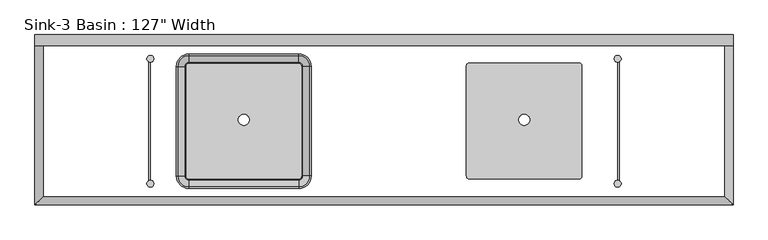
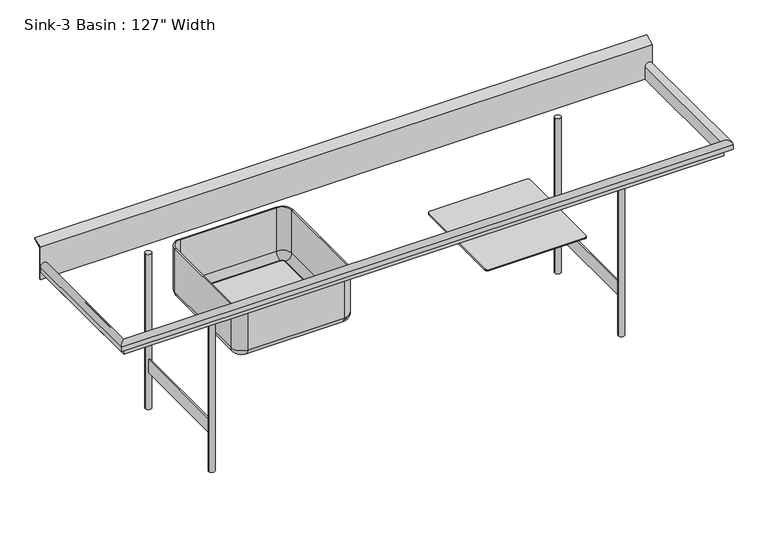
"""IFC4 building model written with IfcOpenShell, lengths in millimetres: flow terminal geometry."""

from ifc_helpers import new_model, si_unit, point, frame, frame_2d, origin, origin_with_axes, place, context, project, spatial, polyline, circle_curve, ellipse_curve, trimmed, segment, composite_curve, outline, extrude, source, transform, mapped, element, save
from ifc_brep_helpers import plane_surface, cylinder_surface, revolved_surface, advanced_brep


def flow_terminal_12af9cb3(model_context):
    return source(origin(), model_context, "Body", "SolidModel", [
        extrude(outline(composite_curve([segment(trimmed(circle_curve(frame_2d((-1032.0607594, 180.1454011)), 12.7), [point((-1044.7607594, 180.1454011))], [point((-1032.0607594, 192.8454011))], False, "CARTESIAN"), True, "CONTINUOUS"), segment(polyline([(-1032.0607594, 192.8454011), (-524.0607594, 192.8454011)]), True, "CONTINUOUS"), segment(trimmed(circle_curve(frame_2d((-524.0607594, 180.1454011)), 12.7), [point((-524.0607594, 192.8454011))], [point((-511.3607594, 180.1454011))], False, "CARTESIAN"), True, "CONTINUOUS"), segment(polyline([(-511.3607594, 180.1454011), (-511.3607594, -327.8545989)]), True, "CONTINUOUS"), segment(trimmed(circle_curve(frame_2d((-524.0607594, -327.8545989)), 12.7), [point((-511.3607594, -327.8545989))], [point((-524.0607594, -340.5545989))], False, "CARTESIAN"), True, "CONTINUOUS"), segment(polyline([(-524.0607594, -340.5545989), (-1032.0607594, -340.5545989)]), True, "CONTINUOUS"), segment(trimmed(circle_curve(frame_2d((-1032.0607594, -327.8545989)), 12.7), [point((-1032.0607594, -340.5545989))], [point((-1044.7607594, -327.8545989))], False, "CARTESIAN"), True, "CONTINUOUS"), segment(polyline([(-1044.7607594, -327.8545989), (-1044.7607594, 180.1454011)]), True, "CONTINUOUS")], self_intersect=False), holes=[composite_curve([segment(trimmed(circle_curve(frame_2d((-778.0607594, -67.5045989)), 25.4), [point((-803.4607594, -67.5045989))], [point((-752.6607594, -67.5045989))], True, "CARTESIAN"), True, "CONTINUOUS"), segment(trimmed(circle_curve(frame_2d((-778.0607594, -67.5045989)), 25.4), [point((-752.6607594, -67.5045989))], [point((-803.4607594, -67.5045989))], True, "CARTESIAN"), True, "CONTINUOUS")], self_intersect=False)]), frame((0.0, 0.0, 584.2), z_axis=(0.0, 0.0, 1.0), x_axis=(1.0, 0.0, 0.0)), (0.0, 0.0, 1.0), 6.35),
        advanced_brep(
        [(-1051.1107594, 180.1454011, 590.55), (-1032.0607594, 199.1954011, 590.55), (-1032.0607594, 230.9454011, 622.3), (-1082.8607594, 180.1454011, 622.3), (-1044.7607594, 180.1454011, 590.55), (-1032.0607594, 192.8454011, 590.55), (-1044.7607594, 180.1454011, 584.2), (-1032.0607594, 192.8454011, 584.2), (-1051.1107594, 180.1454011, 584.2), (-1032.0607594, 199.1954011, 584.2), (-1089.2107594, 180.1454011, 622.3), (-1032.0607594, 237.2954011, 622.3), (-1089.2107594, 180.1454011, 863.6), (-1032.0607594, 237.2954011, 863.6), (-1082.8607594, 180.1454011, 863.6), (-1032.0607594, 230.9454011, 863.6), (-1082.8607594, -327.8545989, 622.3), (-1051.1107594, -327.8545989, 590.55), (-1044.7607594, -327.8545989, 590.55), (-1044.7607594, -327.8545989, 584.2), (-1051.1107594, -327.8545989, 584.2), (-1089.2107594, -327.8545989, 622.3), (-1089.2107594, -327.8545989, 863.6), (-1082.8607594, -327.8545989, 863.6), (-1032.0607594, -346.9045989, 590.55), (-1032.0607594, -378.6545989, 622.3), (-1032.0607594, -340.5545989, 590.55), (-1032.0607594, -340.5545989, 584.2), (-1032.0607594, -346.9045989, 584.2), (-1032.0607594, -385.0045989, 622.3), (-1032.0607594, -385.0045989, 863.6), (-1032.0607594, -378.6545989, 863.6), (-524.0607594, -378.6545989, 622.3), (-524.0607594, -346.9045989, 590.55), (-524.0607594, -340.5545989, 590.55), (-524.0607594, -340.5545989, 584.2), (-524.0607594, -346.9045989, 584.2), (-524.0607594, -385.0045989, 622.3), (-524.0607594, -385.0045989, 863.6), (-524.0607594, -378.6545989, 863.6), (-505.0107594, -327.8545989, 590.55), (-473.2607594, -327.8545989, 622.3), (-511.3607594, -327.8545989, 590.55), (-511.3607594, -327.8545989, 584.2), (-505.0107594, -327.8545989, 584.2), (-466.9107594, -327.8545989, 622.3), (-466.9107594, -327.8545989, 863.6), (-473.2607594, -327.8545989, 863.6), (-473.2607594, 180.1454011, 622.3), (-505.0107594, 180.1454011, 590.55), (-511.3607594, 180.1454011, 590.55), (-511.3607594, 180.1454011, 584.2), (-505.0107594, 180.1454011, 584.2), (-466.9107594, 180.1454011, 622.3), (-466.9107594, 180.1454011, 863.6), (-473.2607594, 180.1454011, 863.6), (-524.0607594, 199.1954011, 590.55), (-524.0607594, 230.9454011, 622.3), (-524.0607594, 192.8454011, 590.55), (-524.0607594, 192.8454011, 584.2), (-524.0607594, 199.1954011, 584.2), (-524.0607594, 237.2954011, 622.3), (-524.0607594, 237.2954011, 863.6), (-524.0607594, 230.9454011, 863.6)],
        [
            (0, 1, circle_curve(frame((-1032.0607594, 180.1454011, 590.55), z_axis=(0.0, 0.0, -1.0), x_axis=(0.0, 1.0, 0.0)), 19.05)),
            (1, 2, circle_curve(frame((-1032.0607594, 199.1954011, 622.3), z_axis=(1.0, 0.0, 0.0), x_axis=(0.0, -1.0, 0.0)), 31.75)),
            (2, 3, circle_curve(frame((-1032.0607594, 180.1454011, 622.3), z_axis=(0.0, 0.0, 1.0), x_axis=(0.0, 1.0, 0.0)), 50.8)),
            (3, 0, circle_curve(frame((-1051.1107594, 180.1454011, 622.3), z_axis=(0.0, -1.0, 0.0), x_axis=(1.0, 0.0, 0.0)), 31.75)),
            (4, 5, circle_curve(frame((-1032.0607594, 180.1454011, 590.55), z_axis=(0.0, 0.0, -1.0), x_axis=(0.0, 1.0, 0.0)), 12.7)),
            (5, 1),
            (0, 4),
            (6, 7, circle_curve(frame((-1032.0607594, 180.1454011, 584.2), z_axis=(0.0, 0.0, -1.0), x_axis=(0.0, 1.0, 0.0)), 12.7)),
            (7, 5),
            (4, 6),
            (8, 9, circle_curve(frame((-1032.0607594, 180.1454011, 584.2), z_axis=(0.0, 0.0, -1.0), x_axis=(0.0, 1.0, 0.0)), 19.05)),
            (9, 7),
            (6, 8),
            (10, 11, circle_curve(frame((-1032.0607594, 180.1454011, 622.3), z_axis=(0.0, 0.0, -1.0), x_axis=(0.0, 1.0, 0.0)), 57.15)),
            (11, 9, circle_curve(frame((-1032.0607594, 199.1954011, 622.3), z_axis=(-1.0, 0.0, 0.0), x_axis=(0.0, -1.0, 0.0)), 38.1)),
            (8, 10, circle_curve(frame((-1051.1107594, 180.1454011, 622.3), z_axis=(0.0, 1.0, 0.0), x_axis=(1.0, 0.0, 0.0)), 38.1)),
            (12, 13, circle_curve(frame((-1032.0607594, 180.1454011, 863.6), z_axis=(0.0, 0.0, -1.0), x_axis=(0.0, 1.0, 0.0)), 57.15)),
            (13, 11),
            (10, 12),
            (14, 15, circle_curve(frame((-1032.0607594, 180.1454011, 863.6), z_axis=(0.0, 0.0, -1.0), x_axis=(0.0, 1.0, 0.0)), 50.8)),
            (15, 13),
            (12, 14),
            (2, 15),
            (14, 3),
            (3, 16),
            (16, 17, circle_curve(frame((-1051.1107594, -327.8545989, 622.3), z_axis=(0.0, -1.0, 0.0), x_axis=(1.0, 0.0, 0.0)), 31.75)),
            (17, 0),
            (17, 18),
            (18, 4),
            (18, 19),
            (19, 6),
            (19, 20),
            (20, 8),
            (20, 21, circle_curve(frame((-1051.1107594, -327.8545989, 622.3), z_axis=(0.0, 1.0, 0.0), x_axis=(1.0, 0.0, 0.0)), 38.1)),
            (21, 10),
            (21, 22),
            (22, 12),
            (22, 23),
            (23, 14),
            (23, 16),
            (24, 17, circle_curve(frame((-1032.0607594, -327.8545989, 590.55), z_axis=(0.0, 0.0, -1.0), x_axis=(-1.0, 0.0, 0.0)), 19.05)),
            (16, 25, circle_curve(frame((-1032.0607594, -327.8545989, 622.3), z_axis=(0.0, 0.0, 1.0), x_axis=(-1.0, 0.0, 0.0)), 50.8)),
            (25, 24, circle_curve(frame((-1032.0607594, -346.9045989, 622.3), z_axis=(1.0, 0.0, 0.0), x_axis=(0.0, 1.0, 0.0)), 31.75)),
            (26, 18, circle_curve(frame((-1032.0607594, -327.8545989, 590.55), z_axis=(0.0, 0.0, -1.0), x_axis=(-1.0, 0.0, 0.0)), 12.7)),
            (24, 26),
            (27, 19, circle_curve(frame((-1032.0607594, -327.8545989, 584.2), z_axis=(0.0, 0.0, -1.0), x_axis=(-1.0, 0.0, 0.0)), 12.7)),
            (26, 27),
            (28, 20, circle_curve(frame((-1032.0607594, -327.8545989, 584.2), z_axis=(0.0, 0.0, -1.0), x_axis=(-1.0, 0.0, 0.0)), 19.05)),
            (27, 28),
            (29, 21, circle_curve(frame((-1032.0607594, -327.8545989, 622.3), z_axis=(0.0, 0.0, -1.0), x_axis=(-1.0, 0.0, 0.0)), 57.15)),
            (28, 29, circle_curve(frame((-1032.0607594, -346.9045989, 622.3), z_axis=(-1.0, 0.0, 0.0), x_axis=(0.0, 1.0, 0.0)), 38.1)),
            (30, 22, circle_curve(frame((-1032.0607594, -327.8545989, 863.6), z_axis=(0.0, 0.0, -1.0), x_axis=(-1.0, 0.0, 0.0)), 57.15)),
            (29, 30),
            (31, 23, circle_curve(frame((-1032.0607594, -327.8545989, 863.6), z_axis=(0.0, 0.0, -1.0), x_axis=(-1.0, 0.0, 0.0)), 50.8)),
            (30, 31),
            (31, 25),
            (25, 32),
            (32, 33, circle_curve(frame((-524.0607594, -346.9045989, 622.3), z_axis=(1.0, 0.0, 0.0), x_axis=(0.0, 1.0, 0.0)), 31.75)),
            (33, 24),
            (33, 34),
            (34, 26),
            (34, 35),
            (35, 27),
            (35, 36),
            (36, 28),
            (36, 37, circle_curve(frame((-524.0607594, -346.9045989, 622.3), z_axis=(-1.0, 0.0, 0.0), x_axis=(0.0, 1.0, 0.0)), 38.1)),
            (37, 29),
            (37, 38),
            (38, 30),
            (38, 39),
            (39, 31),
            (39, 32),
            (40, 33, circle_curve(frame((-524.0607594, -327.8545989, 590.55), z_axis=(0.0, 0.0, -1.0), x_axis=(0.0, -1.0, 0.0)), 19.05)),
            (32, 41, circle_curve(frame((-524.0607594, -327.8545989, 622.3), z_axis=(0.0, 0.0, 1.0), x_axis=(0.0, -1.0, 0.0)), 50.8)),
            (41, 40, circle_curve(frame((-505.0107594, -327.8545989, 622.3), z_axis=(0.0, 1.0, 0.0), x_axis=(-1.0, 0.0, 0.0)), 31.75)),
            (42, 34, circle_curve(frame((-524.0607594, -327.8545989, 590.55), z_axis=(0.0, 0.0, -1.0), x_axis=(0.0, -1.0, 0.0)), 12.7)),
            (40, 42),
            (43, 35, circle_curve(frame((-524.0607594, -327.8545989, 584.2), z_axis=(0.0, 0.0, -1.0), x_axis=(0.0, -1.0, 0.0)), 12.7)),
            (42, 43),
            (44, 36, circle_curve(frame((-524.0607594, -327.8545989, 584.2), z_axis=(0.0, 0.0, -1.0), x_axis=(0.0, -1.0, 0.0)), 19.05)),
            (43, 44),
            (45, 37, circle_curve(frame((-524.0607594, -327.8545989, 622.3), z_axis=(0.0, 0.0, -1.0), x_axis=(0.0, -1.0, 0.0)), 57.15)),
            (44, 45, circle_curve(frame((-505.0107594, -327.8545989, 622.3), z_axis=(0.0, -1.0, 0.0), x_axis=(-1.0, 0.0, 0.0)), 38.1)),
            (46, 38, circle_curve(frame((-524.0607594, -327.8545989, 863.6), z_axis=(0.0, 0.0, -1.0), x_axis=(0.0, -1.0, 0.0)), 57.15)),
            (45, 46),
            (47, 39, circle_curve(frame((-524.0607594, -327.8545989, 863.6), z_axis=(0.0, 0.0, -1.0), x_axis=(0.0, -1.0, 0.0)), 50.8)),
            (46, 47),
            (47, 41),
            (41, 48),
            (48, 49, circle_curve(frame((-505.0107594, 180.1454011, 622.3), z_axis=(0.0, 1.0, 0.0), x_axis=(-1.0, 0.0, 0.0)), 31.75)),
            (49, 40),
            (49, 50),
            (50, 42),
            (50, 51),
            (51, 43),
            (51, 52),
            (52, 44),
            (52, 53, circle_curve(frame((-505.0107594, 180.1454011, 622.3), z_axis=(0.0, -1.0, 0.0), x_axis=(-1.0, 0.0, 0.0)), 38.1)),
            (53, 45),
            (53, 54),
            (54, 46),
            (54, 55),
            (55, 47),
            (55, 48),
            (56, 49, circle_curve(frame((-524.0607594, 180.1454011, 590.55), z_axis=(0.0, 0.0, -1.0), x_axis=(1.0, 0.0, 0.0)), 19.05)),
            (48, 57, circle_curve(frame((-524.0607594, 180.1454011, 622.3), z_axis=(0.0, 0.0, 1.0), x_axis=(1.0, 0.0, 0.0)), 50.8)),
            (57, 56, circle_curve(frame((-524.0607594, 199.1954011, 622.3), z_axis=(-1.0, 0.0, 0.0), x_axis=(0.0, -1.0, 0.0)), 31.75)),
            (58, 50, circle_curve(frame((-524.0607594, 180.1454011, 590.55), z_axis=(0.0, 0.0, -1.0), x_axis=(1.0, 0.0, 0.0)), 12.7)),
            (56, 58),
            (59, 51, circle_curve(frame((-524.0607594, 180.1454011, 584.2), z_axis=(0.0, 0.0, -1.0), x_axis=(1.0, 0.0, 0.0)), 12.7)),
            (58, 59),
            (60, 52, circle_curve(frame((-524.0607594, 180.1454011, 584.2), z_axis=(0.0, 0.0, -1.0), x_axis=(1.0, 0.0, 0.0)), 19.05)),
            (59, 60),
            (61, 53, circle_curve(frame((-524.0607594, 180.1454011, 622.3), z_axis=(0.0, 0.0, -1.0), x_axis=(1.0, 0.0, 0.0)), 57.15)),
            (60, 61, circle_curve(frame((-524.0607594, 199.1954011, 622.3), z_axis=(1.0, 0.0, 0.0), x_axis=(0.0, -1.0, 0.0)), 38.1)),
            (62, 54, circle_curve(frame((-524.0607594, 180.1454011, 863.6), z_axis=(0.0, 0.0, -1.0), x_axis=(1.0, 0.0, 0.0)), 57.15)),
            (61, 62),
            (63, 55, circle_curve(frame((-524.0607594, 180.1454011, 863.6), z_axis=(0.0, 0.0, -1.0), x_axis=(1.0, 0.0, 0.0)), 50.8)),
            (62, 63),
            (63, 57),
            (57, 2),
            (1, 56),
            (5, 58),
            (7, 59),
            (9, 60),
            (11, 61),
            (13, 62),
            (15, 63),
        ],
        [
            revolved_surface(trimmed(ellipse_curve(frame((-1032.0607594, 199.1954011, 622.3), z_axis=(-1.0, 0.0, 0.0), x_axis=(0.0, -1.0, 0.0)), 31.75, 31.75), [point((-1032.0607594, 230.9454011, 622.3))], [point((-1032.0607594, 199.1954011, 590.55))], True, "CARTESIAN"), (-1032.0607594, 180.1454011, 863.6), (0.0, 0.0, 1.0)),
            plane_surface(frame((-1032.0607594, 180.1454011, 590.55), z_axis=(0.0, 0.0, 1.0), x_axis=(0.0, 1.0, 0.0))),
            revolved_surface(polyline([(-1032.0607594, 192.84540109999998, 590.55), (-1032.0607594, 192.84540109999998, 584.2)]), (-1032.0607594, 180.1454011, 863.6), (0.0, 0.0, 1.0)),
            plane_surface(frame((-1032.0607594, 180.1454011, 584.2), z_axis=(0.0, 0.0, -1.0), x_axis=(0.0, 1.0, 0.0))),
            revolved_surface(trimmed(ellipse_curve(frame((-1032.0607594, 199.1954011, 622.3), z_axis=(1.0, 0.0, 0.0), x_axis=(0.0, -1.0, 0.0)), 38.1, 38.1), [point((-1032.0607594, 199.1954011, 584.2))], [point((-1032.0607594, 237.2954011, 622.3))], True, "CARTESIAN"), (-1032.0607594, 180.1454011, 863.6), (0.0, 0.0, 1.0)),
            cylinder_surface(frame((-1032.0607594, 180.1454011, 863.6), z_axis=(0.0, 0.0, 1.0), x_axis=(0.0, 1.0, 0.0)), 57.15),
            plane_surface(frame((-1032.0607594, 180.1454011, 863.6), z_axis=(0.0, 0.0, 1.0), x_axis=(0.0, 1.0, 0.0))),
            revolved_surface(polyline([(-1032.0607594, 230.94540109999997, 863.6), (-1032.0607594, 230.94540109999997, 622.3)]), (-1032.0607594, 180.1454011, 863.6), (0.0, 0.0, 1.0)),
            revolved_surface(polyline([(-1019.3607594, -327.85459890000004, 622.3), (-1019.3607594, 180.1454011, 622.3)]), (-1051.1107594, 180.1454011, 622.3), (0.0, -1.0, 0.0)),
            plane_surface(frame((-1051.1107594, 180.1454011, 590.55), z_axis=(0.0, 0.0, 1.0), x_axis=(0.0, -1.0, 0.0))),
            plane_surface(frame((-1044.7607594, 180.1454011, 590.55), z_axis=(1.0, 0.0, 0.0), x_axis=(0.0, -1.0, 0.0))),
            plane_surface(frame((-1044.7607594, 180.1454011, 584.2), z_axis=(0.0, 0.0, -1.0), x_axis=(0.0, -1.0, 0.0))),
            cylinder_surface(frame((-1051.1107594, 180.1454011, 622.3), z_axis=(0.0, 1.0, 0.0), x_axis=(1.0, 0.0, 0.0)), 38.1),
            plane_surface(frame((-1089.2107594, 180.1454011, 622.3), z_axis=(-1.0, 0.0, 0.0), x_axis=(0.0, -1.0, 0.0))),
            plane_surface(frame((-1089.2107594, 180.1454011, 863.6), z_axis=(0.0, 0.0, 1.0), x_axis=(0.0, -1.0, 0.0))),
            plane_surface(frame((-1082.8607594, 180.1454011, 863.6), z_axis=(1.0, 0.0, 0.0), x_axis=(0.0, -1.0, 0.0))),
            revolved_surface(trimmed(ellipse_curve(frame((-1051.1107594, -327.8545989, 622.3), z_axis=(0.0, -1.0, 0.0), x_axis=(1.0, 0.0, 0.0)), 31.75, 31.75), [point((-1082.8607594, -327.8545989, 622.3))], [point((-1051.1107594, -327.8545989, 590.55))], True, "CARTESIAN"), (-1032.0607594, -327.8545989, 863.6), (0.0, 0.0, 1.0)),
            plane_surface(frame((-1032.0607594, -327.8545989, 590.55), z_axis=(0.0, 0.0, 1.0), x_axis=(-1.0, 0.0, 0.0))),
            revolved_surface(polyline([(-1044.7607594, -327.8545989, 590.55), (-1044.7607594, -327.8545989, 584.2)]), (-1032.0607594, -327.8545989, 863.6), (0.0, 0.0, 1.0)),
            plane_surface(frame((-1032.0607594, -327.8545989, 584.2), z_axis=(0.0, 0.0, -1.0), x_axis=(-1.0, 0.0, 0.0))),
            revolved_surface(trimmed(ellipse_curve(frame((-1051.1107594, -327.8545989, 622.3), z_axis=(0.0, 1.0, 0.0), x_axis=(1.0, 0.0, 0.0)), 38.1, 38.1), [point((-1051.1107594, -327.8545989, 584.2))], [point((-1089.2107594, -327.8545989, 622.3))], True, "CARTESIAN"), (-1032.0607594, -327.8545989, 863.6), (0.0, 0.0, 1.0)),
            cylinder_surface(frame((-1032.0607594, -327.8545989, 863.6), z_axis=(0.0, 0.0, 1.0), x_axis=(-1.0, 0.0, 0.0)), 57.15),
            plane_surface(frame((-1032.0607594, -327.8545989, 863.6), z_axis=(0.0, 0.0, 1.0), x_axis=(-1.0, 0.0, 0.0))),
            revolved_surface(polyline([(-1082.8607594, -327.8545989, 863.6), (-1082.8607594, -327.8545989, 622.3)]), (-1032.0607594, -327.8545989, 863.6), (0.0, 0.0, 1.0)),
            revolved_surface(polyline([(-524.0607594, -315.1545989, 622.3), (-1032.0607594, -315.1545989, 622.3)]), (-1032.0607594, -346.9045989, 622.3), (1.0, 0.0, 0.0)),
            plane_surface(frame((-1032.0607594, -346.9045989, 590.55), z_axis=(0.0, 0.0, 1.0), x_axis=(1.0, 0.0, 0.0))),
            plane_surface(frame((-1032.0607594, -340.5545989, 590.55), z_axis=(0.0, 1.0, 0.0), x_axis=(1.0, 0.0, 0.0))),
            plane_surface(frame((-1032.0607594, -340.5545989, 584.2), z_axis=(0.0, 0.0, -1.0), x_axis=(1.0, 0.0, 0.0))),
            cylinder_surface(frame((-1032.0607594, -346.9045989, 622.3), z_axis=(-1.0, 0.0, 0.0), x_axis=(0.0, 1.0, 0.0)), 38.1),
            plane_surface(frame((-1032.0607594, -385.0045989, 622.3), z_axis=(0.0, -1.0, 0.0), x_axis=(1.0, 0.0, 0.0))),
            plane_surface(frame((-1032.0607594, -385.0045989, 863.6), z_axis=(0.0, 0.0, 1.0), x_axis=(1.0, 0.0, 0.0))),
            plane_surface(frame((-1032.0607594, -378.6545989, 863.6), z_axis=(0.0, 1.0, 0.0), x_axis=(1.0, 0.0, 0.0))),
            revolved_surface(trimmed(ellipse_curve(frame((-524.0607594, -346.9045989, 622.3), z_axis=(1.0, 0.0, 0.0), x_axis=(0.0, 1.0, 0.0)), 31.75, 31.75), [point((-524.0607594, -378.6545989, 622.3))], [point((-524.0607594, -346.9045989, 590.55))], True, "CARTESIAN"), (-524.0607594, -327.8545989, 863.6), (0.0, 0.0, 1.0)),
            plane_surface(frame((-524.0607594, -327.8545989, 590.55), z_axis=(0.0, 0.0, 1.0), x_axis=(0.0, -1.0, 0.0))),
            revolved_surface(polyline([(-524.0607594, -340.5545989, 590.55), (-524.0607594, -340.5545989, 584.2)]), (-524.0607594, -327.8545989, 863.6), (0.0, 0.0, 1.0)),
            plane_surface(frame((-524.0607594, -327.8545989, 584.2), z_axis=(0.0, 0.0, -1.0), x_axis=(0.0, -1.0, 0.0))),
            revolved_surface(trimmed(ellipse_curve(frame((-524.0607594, -346.9045989, 622.3), z_axis=(-1.0, 0.0, 0.0), x_axis=(0.0, 1.0, 0.0)), 38.1, 38.1), [point((-524.0607594, -346.9045989, 584.2))], [point((-524.0607594, -385.0045989, 622.3))], True, "CARTESIAN"), (-524.0607594, -327.8545989, 863.6), (0.0, 0.0, 1.0)),
            cylinder_surface(frame((-524.0607594, -327.8545989, 863.6), z_axis=(0.0, 0.0, 1.0), x_axis=(0.0, -1.0, 0.0)), 57.15),
            plane_surface(frame((-524.0607594, -327.8545989, 863.6), z_axis=(0.0, 0.0, 1.0), x_axis=(0.0, -1.0, 0.0))),
            revolved_surface(polyline([(-524.0607594, -378.6545989, 863.6), (-524.0607594, -378.6545989, 622.3)]), (-524.0607594, -327.8545989, 863.6), (0.0, 0.0, 1.0)),
            revolved_surface(polyline([(-536.7607594, 180.14540110000002, 622.3), (-536.7607594, -327.8545989, 622.3)]), (-505.0107594, -327.8545989, 622.3), (0.0, 1.0, 0.0)),
            plane_surface(frame((-505.0107594, -327.8545989, 590.55), z_axis=(0.0, 0.0, 1.0), x_axis=(0.0, 1.0, 0.0))),
            plane_surface(frame((-511.3607594, -327.8545989, 590.55), z_axis=(-1.0, 0.0, 0.0), x_axis=(0.0, 1.0, 0.0))),
            plane_surface(frame((-511.3607594, -327.8545989, 584.2), z_axis=(0.0, 0.0, -1.0), x_axis=(0.0, 1.0, 0.0))),
            cylinder_surface(frame((-505.0107594, -327.8545989, 622.3), z_axis=(0.0, -1.0, 0.0), x_axis=(-1.0, 0.0, 0.0)), 38.1),
            plane_surface(frame((-466.9107594, -327.8545989, 622.3), z_axis=(1.0, 0.0, 0.0), x_axis=(0.0, 1.0, 0.0))),
            plane_surface(frame((-466.9107594, -327.8545989, 863.6), z_axis=(0.0, 0.0, 1.0), x_axis=(0.0, 1.0, 0.0))),
            plane_surface(frame((-473.2607594, -327.8545989, 863.6), z_axis=(-1.0, 0.0, 0.0), x_axis=(0.0, 1.0, 0.0))),
            revolved_surface(trimmed(ellipse_curve(frame((-505.0107594, 180.1454011, 622.3), z_axis=(0.0, 1.0, 0.0), x_axis=(-1.0, 0.0, 0.0)), 31.75, 31.75), [point((-473.2607594, 180.1454011, 622.3))], [point((-505.0107594, 180.1454011, 590.55))], True, "CARTESIAN"), (-524.0607594, 180.1454011, 863.6), (0.0, 0.0, 1.0)),
            plane_surface(frame((-524.0607594, 180.1454011, 590.55), z_axis=(0.0, 0.0, 1.0), x_axis=(1.0, 0.0, 0.0))),
            revolved_surface(polyline([(-511.36075940000006, 180.1454011, 590.55), (-511.36075940000006, 180.1454011, 584.2)]), (-524.0607594, 180.1454011, 863.6), (0.0, 0.0, 1.0)),
            plane_surface(frame((-524.0607594, 180.1454011, 584.2), z_axis=(0.0, 0.0, -1.0), x_axis=(1.0, 0.0, 0.0))),
            revolved_surface(trimmed(ellipse_curve(frame((-505.0107594, 180.1454011, 622.3), z_axis=(0.0, -1.0, 0.0), x_axis=(-1.0, 0.0, 0.0)), 38.1, 38.1), [point((-505.0107594, 180.1454011, 584.2))], [point((-466.9107594, 180.1454011, 622.3))], True, "CARTESIAN"), (-524.0607594, 180.1454011, 863.6), (0.0, 0.0, 1.0)),
            cylinder_surface(frame((-524.0607594, 180.1454011, 863.6), z_axis=(0.0, 0.0, 1.0), x_axis=(1.0, 0.0, 0.0)), 57.15),
            plane_surface(frame((-524.0607594, 180.1454011, 863.6), z_axis=(0.0, 0.0, 1.0), x_axis=(1.0, 0.0, 0.0))),
            revolved_surface(polyline([(-473.26075940000004, 180.1454011, 863.6), (-473.26075940000004, 180.1454011, 622.3)]), (-524.0607594, 180.1454011, 863.6), (0.0, 0.0, 1.0)),
            revolved_surface(polyline([(-1032.0607594, 167.4454011, 622.3), (-524.0607594, 167.4454011, 622.3)]), (-524.0607594, 199.1954011, 622.3), (-1.0, 0.0, 0.0)),
            plane_surface(frame((-524.0607594, 199.1954011, 590.55), z_axis=(0.0, 0.0, 1.0), x_axis=(-1.0, 0.0, 0.0))),
            plane_surface(frame((-524.0607594, 192.8454011, 590.55), z_axis=(0.0, -1.0, 0.0), x_axis=(-1.0, 0.0, 0.0))),
            plane_surface(frame((-524.0607594, 192.8454011, 584.2), z_axis=(0.0, 0.0, -1.0), x_axis=(-1.0, 0.0, 0.0))),
            cylinder_surface(frame((-524.0607594, 199.1954011, 622.3), z_axis=(1.0, 0.0, 0.0), x_axis=(0.0, -1.0, 0.0)), 38.1),
            plane_surface(frame((-524.0607594, 237.2954011, 622.3), z_axis=(0.0, 1.0, 0.0), x_axis=(-1.0, 0.0, 0.0))),
            plane_surface(frame((-524.0607594, 237.2954011, 863.6), z_axis=(0.0, 0.0, 1.0), x_axis=(-1.0, 0.0, 0.0))),
            plane_surface(frame((-524.0607594, 230.9454011, 863.6), z_axis=(0.0, -1.0, 0.0), x_axis=(-1.0, 0.0, 0.0))),
        ],
        [
            (0, [[1, 2, 3, 4]]),
            (1, [[5, 6, -1, 7]]),
            (2, [[8, 9, -5, 10]]),
            (3, [[11, 12, -8, 13]]),
            (4, [[14, 15, -11, 16]]),
            (5, [[17, 18, -14, 19]]),
            (6, [[20, 21, -17, 22]]),
            (7, [[-3, 23, -20, 24]]),
            (8, [[-4, 25, 26, 27]]),
            (9, [[-7, -27, 28, 29]]),
            (10, [[-10, -29, 30, 31]]),
            (11, [[-13, -31, 32, 33]]),
            (12, [[-16, -33, 34, 35]]),
            (13, [[-19, -35, 36, 37]]),
            (14, [[-22, -37, 38, 39]]),
            (15, [[-24, -39, 40, -25]]),
            (16, [[41, -26, 42, 43]]),
            (17, [[44, -28, -41, 45]]),
            (18, [[46, -30, -44, 47]]),
            (19, [[48, -32, -46, 49]]),
            (20, [[50, -34, -48, 51]]),
            (21, [[52, -36, -50, 53]]),
            (22, [[54, -38, -52, 55]]),
            (23, [[-42, -40, -54, 56]]),
            (24, [[-43, 57, 58, 59]]),
            (25, [[-45, -59, 60, 61]]),
            (26, [[-47, -61, 62, 63]]),
            (27, [[-49, -63, 64, 65]]),
            (28, [[-51, -65, 66, 67]]),
            (29, [[-53, -67, 68, 69]]),
            (30, [[-55, -69, 70, 71]]),
            (31, [[-56, -71, 72, -57]]),
            (32, [[73, -58, 74, 75]]),
            (33, [[76, -60, -73, 77]]),
            (34, [[78, -62, -76, 79]]),
            (35, [[80, -64, -78, 81]]),
            (36, [[82, -66, -80, 83]]),
            (37, [[84, -68, -82, 85]]),
            (38, [[86, -70, -84, 87]]),
            (39, [[-74, -72, -86, 88]]),
            (40, [[-75, 89, 90, 91]]),
            (41, [[-77, -91, 92, 93]]),
            (42, [[-79, -93, 94, 95]]),
            (43, [[-81, -95, 96, 97]]),
            (44, [[-83, -97, 98, 99]]),
            (45, [[-85, -99, 100, 101]]),
            (46, [[-87, -101, 102, 103]]),
            (47, [[-88, -103, 104, -89]]),
            (48, [[105, -90, 106, 107]]),
            (49, [[108, -92, -105, 109]]),
            (50, [[110, -94, -108, 111]]),
            (51, [[112, -96, -110, 113]]),
            (52, [[114, -98, -112, 115]]),
            (53, [[116, -100, -114, 117]]),
            (54, [[118, -102, -116, 119]]),
            (55, [[-106, -104, -118, 120]]),
            (56, [[-107, 121, -2, 122]]),
            (57, [[-109, -122, -6, 123]]),
            (58, [[-111, -123, -9, 124]]),
            (59, [[-113, -124, -12, 125]]),
            (60, [[-115, -125, -15, 126]]),
            (61, [[-117, -126, -18, 127]]),
            (62, [[-119, -127, -21, 128]]),
            (63, [[-120, -128, -23, -121]]),
        ],
    ),
        extrude(outline(polyline([(955.4892406, -362.7795989), (949.1392406, -362.7795989), (949.1392406, 215.0704011), (955.4892406, 215.0704011), (955.4892406, -362.7795989)])), frame((0.0, 0.0, 203.2), z_axis=(0.0, 0.0, 1.0), x_axis=(1.0, 0.0, 0.0)), (0.0, 0.0, 1.0), 76.2),
        extrude(outline(polyline([(-1216.2107594, -362.7795989), (-1216.2107594, 215.0704011), (-1209.8607594, 215.0704011), (-1209.8607594, -362.7795989), (-1216.2107594, -362.7795989)])), frame((0.0, 0.0, 203.2), z_axis=(0.0, 0.0, 1.0), x_axis=(1.0, 0.0, 0.0)), (0.0, 0.0, 1.0), 76.2),
        extrude(outline(composite_curve([segment(trimmed(circle_curve(frame_2d((949.1392406, -362.7795989)), 15.875), [point((933.2642406, -362.7795989))], [point((965.0142406, -362.7795989))], False, "CARTESIAN"), True, "CONTINUOUS"), segment(trimmed(circle_curve(frame_2d((949.1392406, -362.7795989)), 15.875), [point((965.0142406, -362.7795989))], [point((933.2642406, -362.7795989))], False, "CARTESIAN"), True, "CONTINUOUS")], self_intersect=False)), origin_with_axes(), (0.0, 0.0, 1.0), 863.6),
        extrude(outline(composite_curve([segment(trimmed(circle_curve(frame_2d((949.1392406, 215.0704011)), 15.875), [point((933.2642406, 215.0704011))], [point((965.0142406, 215.0704011))], False, "CARTESIAN"), True, "CONTINUOUS"), segment(trimmed(circle_curve(frame_2d((949.1392406, 215.0704011)), 15.875), [point((965.0142406, 215.0704011))], [point((933.2642406, 215.0704011))], False, "CARTESIAN"), True, "CONTINUOUS")], self_intersect=False)), origin_with_axes(), (0.0, 0.0, 1.0), 863.6),
        extrude(outline(composite_curve([segment(trimmed(circle_curve(frame_2d((-1209.8607594, -362.7795989)), 15.875), [point((-1193.9857594, -362.7795989))], [point((-1225.7357594, -362.7795989))], False, "CARTESIAN"), True, "CONTINUOUS"), segment(trimmed(circle_curve(frame_2d((-1209.8607594, -362.7795989)), 15.875), [point((-1225.7357594, -362.7795989))], [point((-1193.9857594, -362.7795989))], False, "CARTESIAN"), True, "CONTINUOUS")], self_intersect=False)), origin_with_axes(), (0.0, 0.0, 1.0), 863.6),
        extrude(outline(composite_curve([segment(trimmed(circle_curve(frame_2d((-1209.8607594, 215.0704011)), 15.875), [point((-1193.9857594, 215.0704011))], [point((-1225.7357594, 215.0704011))], False, "CARTESIAN"), True, "CONTINUOUS"), segment(trimmed(circle_curve(frame_2d((-1209.8607594, 215.0704011)), 15.875), [point((-1225.7357594, 215.0704011))], [point((-1193.9857594, 215.0704011))], False, "CARTESIAN"), True, "CONTINUOUS")], self_intersect=False)), origin_with_axes(), (0.0, 0.0, 1.0), 863.6),
        advanced_brep(
        [(-1705.1607594, 275.3954011, 863.6), (-1711.5107594, 275.3954011, 863.6), (-1711.5107594, 275.3954011, 933.45), (-1736.9107594, 275.3954011, 933.45), (-1736.9107594, 275.3954011, 908.05), (-1743.2607594, 275.3954011, 908.05), (-1743.2607594, 275.3954011, 933.45), (-1705.1607594, 275.3954011, 933.45), (-1705.1607594, -423.1045989, 863.6), (-1711.5107594, -429.4545989, 863.6), (-1711.5107594, -429.4545989, 933.45), (-1736.9107594, -454.8545989, 933.45), (-1736.9107594, -454.8545989, 908.05), (-1743.2607594, -461.2045989, 908.05), (-1743.2607594, -461.2045989, 933.45), (-1705.1607594, -423.1045989, 933.45), (1444.4392406, -423.1045989, 863.6), (1450.7892406, -429.4545989, 863.6), (1450.7892406, -429.4545989, 933.45), (1476.1892406, -454.8545989, 933.45), (1476.1892406, -454.8545989, 908.05), (1482.5392406, -461.2045989, 908.05), (1482.5392406, -461.2045989, 933.45), (1444.4392406, -423.1045989, 933.45), (1444.4392406, 275.3954011, 863.6), (1444.4392406, 275.3954011, 933.45), (1482.5392406, 275.3954011, 933.45), (1482.5392406, 275.3954011, 908.05), (1476.1892406, 275.3954011, 908.05), (1476.1892406, 275.3954011, 933.45), (1450.7892406, 275.3954011, 933.45), (1450.7892406, 275.3954011, 863.6)],
        [
            (0, 1),
            (1, 2),
            (2, 3, circle_curve(frame((-1724.2107594, 275.3954011, 933.45), z_axis=(0.0, -1.0, 0.0), x_axis=(1.0, 0.0, 0.0)), 12.7)),
            (3, 4),
            (4, 5),
            (5, 6),
            (6, 7, circle_curve(frame((-1724.2107594, 275.3954011, 933.45), z_axis=(0.0, 1.0, 0.0), x_axis=(1.0, 0.0, 0.0)), 19.05)),
            (7, 0),
            (0, 8),
            (8, 9),
            (9, 1),
            (9, 10),
            (10, 2),
            (10, 11, ellipse_curve(frame((-1724.2107594, -442.1545989, 933.45), z_axis=(0.7071067811865475, -0.7071067811865475, 0.0), x_axis=(-0.7071067811865474, -0.7071067811865476, 0.0)), 17.9605122, 12.7)),
            (11, 3),
            (11, 12),
            (12, 4),
            (12, 13),
            (13, 5),
            (13, 14),
            (14, 6),
            (14, 15, ellipse_curve(frame((-1724.2107594, -442.1545989, 933.45), z_axis=(-0.7071067811865475, 0.7071067811865475, 0.0), x_axis=(0.7071067811865474, 0.7071067811865476, 0.0)), 26.9407684, 19.05)),
            (15, 7),
            (15, 8),
            (8, 16),
            (16, 17),
            (17, 9),
            (17, 18),
            (18, 10),
            (18, 19, ellipse_curve(frame((1463.4892406, -442.1545989, 933.45), z_axis=(0.7071067811865475, 0.7071067811865475, 0.0), x_axis=(0.7071067811865476, -0.7071067811865474, 0.0)), 17.9605122, 12.7)),
            (19, 11),
            (19, 20),
            (20, 12),
            (20, 21),
            (21, 13),
            (21, 22),
            (22, 14),
            (22, 23, ellipse_curve(frame((1463.4892406, -442.1545989, 933.45), z_axis=(-0.7071067811865475, -0.7071067811865475, 0.0), x_axis=(-0.7071067811865476, 0.7071067811865474, 0.0)), 26.9407684, 19.05)),
            (23, 15),
            (23, 16),
            (24, 25),
            (25, 26, circle_curve(frame((1463.4892406, 275.3954011, 933.45), z_axis=(0.0, 1.0, 0.0), x_axis=(-1.0, 0.0, 0.0)), 19.05)),
            (26, 27),
            (27, 28),
            (28, 29),
            (29, 30, circle_curve(frame((1463.4892406, 275.3954011, 933.45), z_axis=(0.0, -1.0, 0.0), x_axis=(-1.0, 0.0, 0.0)), 12.7)),
            (30, 31),
            (31, 24),
            (16, 24),
            (31, 17),
            (30, 18),
            (29, 19),
            (28, 20),
            (27, 21),
            (26, 22),
            (25, 23),
        ],
        [
            plane_surface(frame((-1834.1789232, 275.3954011, 863.6), z_axis=(0.0, 1.0, 0.0), x_axis=(0.0, 0.0, -1.0))),
            plane_surface(frame((-1705.1607594, 275.3954011, 863.6), z_axis=(0.0, 0.0, -1.0), x_axis=(0.0, -1.0, 0.0))),
            plane_surface(frame((-1711.5107594, 275.3954011, 863.6), z_axis=(-1.0, 0.0, 0.0), x_axis=(0.0, -1.0, 0.0))),
            revolved_surface(polyline([(-1711.5107593999999, -454.8545989, 933.45), (-1711.5107593999999, 275.3954011, 933.45)]), (-1724.2107594, 275.3954011, 933.45), (0.0, -1.0, 0.0)),
            plane_surface(frame((-1736.9107594, 275.3954011, 933.45), z_axis=(1.0, 0.0, 0.0), x_axis=(0.0, -1.0, 0.0))),
            plane_surface(frame((-1736.9107594, 275.3954011, 908.05), z_axis=(0.0, 0.0, -1.0), x_axis=(0.0, -1.0, 0.0))),
            plane_surface(frame((-1743.2607594, 275.3954011, 908.05), z_axis=(-1.0, 0.0, 0.0), x_axis=(0.0, -1.0, 0.0))),
            cylinder_surface(frame((-1724.2107594, 275.3954011, 933.45), z_axis=(0.0, 1.0, 0.0), x_axis=(1.0, 0.0, 0.0)), 19.05),
            plane_surface(frame((-1705.1607594, 275.3954011, 933.45), z_axis=(1.0, 0.0, 0.0), x_axis=(0.0, -1.0, 0.0))),
            plane_surface(frame((-1705.1607594, -423.1045989, 863.6), z_axis=(0.0, 0.0, -1.0), x_axis=(1.0, 0.0, 0.0))),
            plane_surface(frame((-1711.5107594, -429.4545989, 863.6), z_axis=(0.0, -1.0, 0.0), x_axis=(1.0, 0.0, 0.0))),
            revolved_surface(polyline([(1476.1892405999997, -429.4545989, 933.45), (-1736.9107594, -429.4545989, 933.45)]), (-1743.2607594, -442.1545989, 933.45), (1.0, 0.0, 0.0)),
            plane_surface(frame((-1736.9107594, -454.8545989, 933.45), z_axis=(0.0, 1.0, 0.0), x_axis=(1.0, 0.0, 0.0))),
            plane_surface(frame((-1736.9107594, -454.8545989, 908.05), z_axis=(0.0, 0.0, -1.0), x_axis=(1.0, 0.0, 0.0))),
            plane_surface(frame((-1743.2607594, -461.2045989, 908.05), z_axis=(0.0, -1.0, 0.0), x_axis=(1.0, 0.0, 0.0))),
            cylinder_surface(frame((-1743.2607594, -442.1545989, 933.45), z_axis=(-1.0, 0.0, 0.0), x_axis=(0.0, 1.0, 0.0)), 19.05),
            plane_surface(frame((-1705.1607594, -423.1045989, 933.45), z_axis=(0.0, 1.0, 0.0), x_axis=(1.0, 0.0, 0.0))),
            plane_surface(frame((1391.6210768, 275.3954011, 863.6), z_axis=(0.0, 1.0, 0.0), x_axis=(0.0, 0.0, 1.0))),
            plane_surface(frame((1444.4392406, -423.1045989, 863.6), z_axis=(0.0, 0.0, -1.0), x_axis=(0.0, 1.0, 0.0))),
            plane_surface(frame((1450.7892406, -429.4545989, 863.6), z_axis=(1.0, 0.0, 0.0), x_axis=(0.0, 1.0, 0.0))),
            revolved_surface(polyline([(1450.7892405999999, 275.3954011, 933.45), (1450.7892405999999, -454.8545989, 933.45)]), (1463.4892406, -461.2045989, 933.45), (0.0, 1.0, 0.0)),
            plane_surface(frame((1476.1892406, -454.8545989, 933.45), z_axis=(-1.0, 0.0, 0.0), x_axis=(0.0, 1.0, 0.0))),
            plane_surface(frame((1476.1892406, -454.8545989, 908.05), z_axis=(0.0, 0.0, -1.0), x_axis=(0.0, 1.0, 0.0))),
            plane_surface(frame((1482.5392406, -461.2045989, 908.05), z_axis=(1.0, 0.0, 0.0), x_axis=(0.0, 1.0, 0.0))),
            cylinder_surface(frame((1463.4892406, -461.2045989, 933.45), z_axis=(0.0, -1.0, 0.0), x_axis=(-1.0, 0.0, 0.0)), 19.05),
            plane_surface(frame((1444.4392406, -423.1045989, 933.45), z_axis=(-1.0, 0.0, 0.0), x_axis=(0.0, 1.0, 0.0))),
        ],
        [
            (0, [[1, 2, 3, 4, 5, 6, 7, 8]]),
            (1, [[-1, 9, 10, 11]]),
            (2, [[-2, -11, 12, 13]]),
            (3, [[-3, -13, 14, 15]]),
            (4, [[-4, -15, 16, 17]]),
            (5, [[-5, -17, 18, 19]]),
            (6, [[-6, -19, 20, 21]]),
            (7, [[-7, -21, 22, 23]]),
            (8, [[-8, -23, 24, -9]]),
            (9, [[-10, 25, 26, 27]]),
            (10, [[-12, -27, 28, 29]]),
            (11, [[-14, -29, 30, 31]]),
            (12, [[-16, -31, 32, 33]]),
            (13, [[-18, -33, 34, 35]]),
            (14, [[-20, -35, 36, 37]]),
            (15, [[-22, -37, 38, 39]]),
            (16, [[-24, -39, 40, -25]]),
            (17, [[41, 42, 43, 44, 45, 46, 47, 48]]),
            (18, [[-26, 49, -48, 50]]),
            (19, [[-28, -50, -47, 51]]),
            (20, [[-30, -51, -46, 52]]),
            (21, [[-32, -52, -45, 53]]),
            (22, [[-34, -53, -44, 54]]),
            (23, [[-36, -54, -43, 55]]),
            (24, [[-38, -55, -42, 56]]),
            (25, [[-40, -56, -41, -49]]),
        ],
    ),
        extrude(outline(polyline([(275.3954011, 1042.2025326), (326.1954011, 1066.8), (326.1954011, 1059.7447765), (281.7454011, 1038.2219925), (281.7454011, 863.6), (275.3954011, 863.6), (275.3954011, 1042.2025326)])), frame((-1743.2607594, 0.0, 0.0), z_axis=(1.0, 0.0, 0.0), x_axis=(0.0, 1.0, 0.0)), (0.0, 0.0, 1.0), 3225.8),
        extrude(outline(composite_curve([segment(trimmed(circle_curve(frame_2d((771.3392406, 182.7338193)), 12.7), [point((771.3392406, 195.4338193))], [point((784.0392406, 182.7338193))], False, "CARTESIAN"), True, "CONTINUOUS"), segment(polyline([(784.0392406, 182.7338193), (784.0392406, -327.8545989)]), True, "CONTINUOUS"), segment(trimmed(circle_curve(frame_2d((771.3392406, -327.8545989)), 12.7), [point((784.0392406, -327.8545989))], [point((771.3392406, -340.5545989))], False, "CARTESIAN"), True, "CONTINUOUS"), segment(polyline([(771.3392406, -340.5545989), (263.3392406, -340.5545989)]), True, "CONTINUOUS"), segment(trimmed(circle_curve(frame_2d((263.3392406, -327.8545989)), 12.7), [point((263.3392406, -340.5545989))], [point((250.6392406, -327.8545989))], False, "CARTESIAN"), True, "CONTINUOUS"), segment(polyline([(250.6392406, -327.8545989), (250.6392406, 182.7338193)]), True, "CONTINUOUS"), segment(trimmed(circle_curve(frame_2d((263.3392406, 182.7338193)), 12.7), [point((250.6392406, 182.7338193))], [point((263.3392406, 195.4338193))], False, "CARTESIAN"), True, "CONTINUOUS"), segment(polyline([(263.3392406, 195.4338193), (771.3392406, 195.4338193)]), True, "CONTINUOUS")], self_intersect=False), holes=[composite_curve([segment(trimmed(circle_curve(frame_2d((517.3392406, -67.5045989)), 25.4), [point((491.9392406, -67.5045989))], [point((542.7392406, -67.5045989))], True, "CARTESIAN"), True, "CONTINUOUS"), segment(trimmed(circle_curve(frame_2d((517.3392406, -67.5045989)), 25.4), [point((542.7392406, -67.5045989))], [point((491.9392406, -67.5045989))], True, "CARTESIAN"), True, "CONTINUOUS")], self_intersect=False)]), frame((0.0, 0.0, 584.2), z_axis=(0.0, 0.0, 1.0), x_axis=(1.0, 0.0, 0.0)), (0.0, 0.0, 1.0), 6.35),
    ])


if __name__ == "__main__":
    model = new_model("IFC4")
    model_context = context("Model", 3, world=origin())
    ifc_project = project(units=[si_unit("LENGTHUNIT", "METRE", prefix="MILLI")], contexts=[model_context])
    site = spatial("IfcSite", under=ifc_project)
    building = spatial("IfcBuilding", under=site)
    placement = place(None, origin())
    flow_terminal_shape = flow_terminal_12af9cb3(model_context)
    element("IfcFlowTerminal", 1, ObjectType="Sink-3 Basin : 127\" Width", at=placement, inside=building, context=model_context, shape_type="MappedRepresentation", body=[
        mapped(flow_terminal_shape, transform((0.0, 0.0, 0.0), x_axis=(1.0, 0.0, 0.0), y_axis=(0.0, 1.0, 0.0), z_axis=(0.0, 0.0, 1.0))),
    ])
    save(model, "model.ifc")
